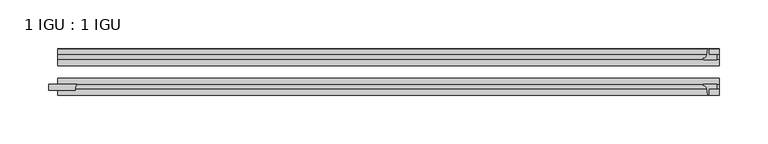
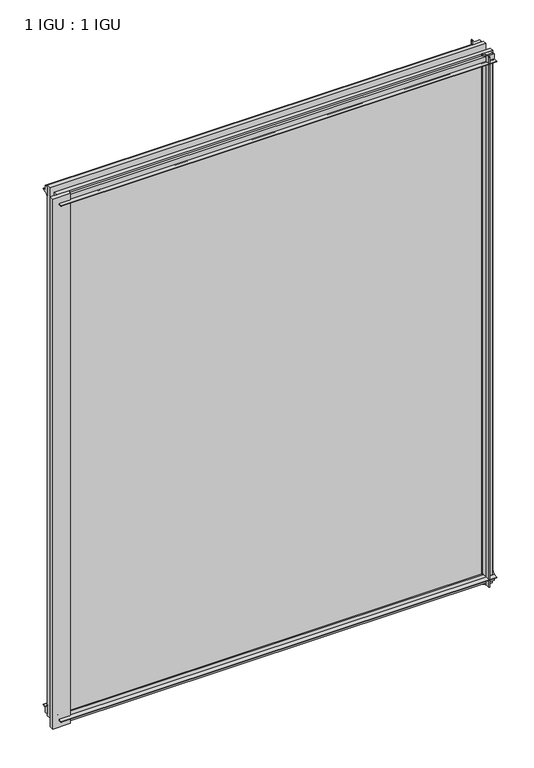
"""IFC4 building model written with IfcOpenShell, lengths in millimetres: plate geometry, 1 IGU : 1 IGU."""

from ifc_helpers import new_model, si_unit, point, frame, frame_2d, origin, place, context, project, spatial, polyline, circle_curve, trimmed, segment, composite_curve, outline, extrude, source, transform, mapped, element, save


def plate_1_igu_1_igu_c49b6571(model_context):
    return source(origin(), model_context, "Body", "SweptSolid", [
        extrude(outline(composite_curve([segment(polyline([(-42.3267187, -8.2068385), (-47.0892187, -8.2068385), (-47.0892187, 0.0), (-53.563779, 0.0)]), True, "CONTINUOUS"), segment(trimmed(circle_curve(frame_2d((-53.0328134, 0.3482823)), 0.635), [point((-53.563779, 0.0))], [point((-53.0575397, 0.9828007))], False, "CARTESIAN"), True, "CONTINUOUS"), segment(trimmed(circle_curve(frame_2d((-54.2310045, 31.0958559)), 30.1359106), [point((-53.0575397, 0.9828007))], [point((-47.0834032, 1.8198434))], True, "CARTESIAN"), True, "CONTINUOUS"), segment(trimmed(circle_curve(frame_2d((-48.2159797, 6.4587878)), 4.7752), [point((-47.0834032, 1.8198434))], [point((-43.578416, 5.3205707))], True, "CARTESIAN"), True, "CONTINUOUS"), segment(trimmed(circle_curve(frame_2d((-42.9617187, 5.169212)), 0.635), [point((-43.578416, 5.3205707))], [point((-42.3267187, 5.169212))], False, "CARTESIAN"), True, "CONTINUOUS"), segment(polyline([(-42.3267187, 5.169212), (-42.3267187, -8.2068385)]), True, "CONTINUOUS")], self_intersect=False)), frame((-336.0104693, 0.0, 0.0), z_axis=(1.0, 0.0, 0.0), x_axis=(0.0, 1.0, 0.0)), (0.0, 0.0, 1.0), 681.7443761),
        extrude(outline(composite_curve([segment(polyline([(-16.9267187, -8.2068385), (-16.9267187, 5.169212)]), True, "CONTINUOUS"), segment(trimmed(circle_curve(frame_2d((-16.2917187, 5.169212)), 0.635), [point((-16.9267187, 5.169212))], [point((-15.6750215, 5.3205707))], False, "CARTESIAN"), True, "CONTINUOUS"), segment(trimmed(circle_curve(frame_2d((-11.0374578, 6.4587878)), 4.7752), [point((-15.6750215, 5.3205707))], [point((-12.1700343, 1.8198434))], True, "CARTESIAN"), True, "CONTINUOUS"), segment(trimmed(circle_curve(frame_2d((-5.022433, 31.0958559)), 30.1359106), [point((-12.1700343, 1.8198434))], [point((-6.1958978, 0.9828007))], True, "CARTESIAN"), True, "CONTINUOUS"), segment(trimmed(circle_curve(frame_2d((-6.2206241, 0.3482823)), 0.635), [point((-6.1958978, 0.9828007))], [point((-5.6896585, 0.0))], False, "CARTESIAN"), True, "CONTINUOUS"), segment(polyline([(-5.6896585, 0.0), (-12.1642187, 0.0), (-12.1642187, -8.2068385), (-16.9267187, -8.2068385)]), True, "CONTINUOUS")], self_intersect=False)), frame((-336.0104693, 0.0, 0.0), z_axis=(1.0, 0.0, 0.0), x_axis=(0.0, 1.0, 0.0)), (0.0, 0.0, 1.0), 681.7443761),
        extrude(outline(composite_curve([segment(polyline([(-47.0892188, 854.0748985), (-47.0892188, 862.281737), (-42.3267188, 862.281737), (-42.3267188, 848.9056865)]), True, "CONTINUOUS"), segment(trimmed(circle_curve(frame_2d((-42.9617187, 848.9056865)), 0.635), [point((-42.3267188, 848.9056865))], [point((-43.578416, 848.7543278))], False, "CARTESIAN"), True, "CONTINUOUS"), segment(trimmed(circle_curve(frame_2d((-48.2159797, 847.6161107)), 4.7752), [point((-43.578416, 848.7543278))], [point((-47.0834032, 852.2550551))], True, "CARTESIAN"), True, "CONTINUOUS"), segment(trimmed(circle_curve(frame_2d((-54.2310045, 822.9790426)), 30.1359106), [point((-47.0834032, 852.2550551))], [point((-53.0575397, 853.0920978))], True, "CARTESIAN"), True, "CONTINUOUS"), segment(trimmed(circle_curve(frame_2d((-53.0328134, 853.7266162)), 0.635), [point((-53.0575397, 853.0920978))], [point((-53.563779, 854.0748985))], False, "CARTESIAN"), True, "CONTINUOUS"), segment(polyline([(-53.563779, 854.0748985), (-47.0892188, 854.0748985)]), True, "CONTINUOUS")], self_intersect=False)), frame((-336.0104693, 0.0, 0.0), z_axis=(1.0, 0.0, 0.0), x_axis=(0.0, 1.0, 0.0)), (0.0, 0.0, 1.0), 681.7443761),
        extrude(outline(composite_curve([segment(polyline([(-12.1642187, 854.0748985), (-5.6896585, 854.0748985)]), True, "CONTINUOUS"), segment(trimmed(circle_curve(frame_2d((-6.2206241, 853.7266162)), 0.635), [point((-5.6896585, 854.0748985))], [point((-6.1958978, 853.0920978))], False, "CARTESIAN"), True, "CONTINUOUS"), segment(trimmed(circle_curve(frame_2d((-5.022433, 822.9790426)), 30.1359106), [point((-6.1958978, 853.0920978))], [point((-12.1700343, 852.2550551))], True, "CARTESIAN"), True, "CONTINUOUS"), segment(trimmed(circle_curve(frame_2d((-11.0374578, 847.6161107)), 4.7752), [point((-12.1700343, 852.2550551))], [point((-15.6750215, 848.7543278))], True, "CARTESIAN"), True, "CONTINUOUS"), segment(trimmed(circle_curve(frame_2d((-16.2917187, 848.9056865)), 0.635), [point((-15.6750215, 848.7543278))], [point((-16.9267187, 848.9056865))], False, "CARTESIAN"), True, "CONTINUOUS"), segment(polyline([(-16.9267187, 848.9056865), (-16.9267187, 862.281737), (-12.1642187, 862.281737), (-12.1642187, 854.0748985)]), True, "CONTINUOUS")], self_intersect=False)), frame((-336.0104693, 0.0, 0.0), z_axis=(1.0, 0.0, 0.0), x_axis=(0.0, 1.0, 0.0)), (0.0, 0.0, 1.0), 681.7443761),
        extrude(outline(composite_curve([segment(trimmed(circle_curve(frame_2d((-306.388693, -48.2428298)), 11.7661971), [point((-316.5593874, -42.3267187))], [point((-318.1468874, -48.6767187))], True, "CARTESIAN"), True, "CONTINUOUS"), segment(polyline([(-318.1468874, -48.6767187), (-345.5354693, -48.6767187), (-345.5354693, -42.3267187), (-316.5593874, -42.3267187)]), True, "CONTINUOUS")], self_intersect=False)), frame((0.0, 0.0, -11.1125), z_axis=(0.0, 0.0, 1.0), x_axis=(1.0, 0.0, 0.0)), (0.0, 0.0, 1.0), 876.2998985),
        extrude(outline(composite_curve([segment(polyline([(334.6214068, -5.6896585), (334.6214068, -12.1642188), (342.8282453, -12.1642188), (342.8282453, -16.9267187), (329.4521948, -16.9267187)]), True, "CONTINUOUS"), segment(trimmed(circle_curve(frame_2d((329.4521948, -16.2917188)), 0.635), [point((329.4521948, -16.9267187))], [point((329.3008361, -15.6750215))], False, "CARTESIAN"), True, "CONTINUOUS"), segment(trimmed(circle_curve(frame_2d((328.1626189, -11.0374578)), 4.7752), [point((329.3008361, -15.6750215))], [point((332.8015634, -12.1700343))], True, "CARTESIAN"), True, "CONTINUOUS"), segment(trimmed(circle_curve(frame_2d((303.5255509, -5.022433)), 30.1359106), [point((332.8015634, -12.1700343))], [point((333.6386061, -6.1958978))], True, "CARTESIAN"), True, "CONTINUOUS"), segment(trimmed(circle_curve(frame_2d((334.2731245, -6.2206241)), 0.635), [point((333.6386061, -6.1958978))], [point((334.6214068, -5.6896585))], False, "CARTESIAN"), True, "CONTINUOUS")], self_intersect=False)), frame((0.0, 0.0, -11.1125), z_axis=(0.0, 0.0, 1.0), x_axis=(1.0, 0.0, 0.0)), (0.0, 0.0, 1.0), 876.2998985),
        extrude(outline(composite_curve([segment(trimmed(circle_curve(frame_2d((334.2731245, -53.0328134)), 0.635), [point((334.6214068, -53.563779))], [point((333.6386061, -53.0575397))], False, "CARTESIAN"), True, "CONTINUOUS"), segment(trimmed(circle_curve(frame_2d((303.5255509, -54.2310045)), 30.1359106), [point((333.6386061, -53.0575397))], [point((332.8015634, -47.0834032))], True, "CARTESIAN"), True, "CONTINUOUS"), segment(trimmed(circle_curve(frame_2d((328.1626189, -48.2159797)), 4.7752), [point((332.8015634, -47.0834032))], [point((329.3008361, -43.578416))], True, "CARTESIAN"), True, "CONTINUOUS"), segment(trimmed(circle_curve(frame_2d((329.4521948, -42.9617187)), 0.635), [point((329.3008361, -43.578416))], [point((329.4521948, -42.3267187))], False, "CARTESIAN"), True, "CONTINUOUS"), segment(polyline([(329.4521948, -42.3267187), (342.8282453, -42.3267188), (342.8282453, -47.0892188), (334.6214068, -47.0892188), (334.6214068, -53.563779)]), True, "CONTINUOUS")], self_intersect=False)), frame((0.0, 0.0, -11.1125), z_axis=(0.0, 0.0, 1.0), x_axis=(1.0, 0.0, 0.0)), (0.0, 0.0, 1.0), 876.2998985),
        extrude(outline(polyline([(345.7339068, -16.9267187), (345.7339068, -23.2259187), (-336.0104693, -23.2259187), (-336.0104693, -16.9267187), (345.7339068, -16.9267187)])), frame((0.0, 0.0, -11.1125), z_axis=(0.0, 0.0, 1.0), x_axis=(1.0, 0.0, 0.0)), (0.0, 0.0, 1.0), 876.2998985),
        extrude(outline(polyline([(345.7339068, -36.0275187), (345.7339068, -42.3267187), (-336.0104693, -42.3267187), (-336.0104693, -36.0275187), (345.7339068, -36.0275187)])), frame((0.0, 0.0, -11.1125), z_axis=(0.0, 0.0, 1.0), x_axis=(1.0, 0.0, 0.0)), (0.0, 0.0, 1.0), 876.2998985),
    ])


if __name__ == "__main__":
    model = new_model("IFC4")
    model_context = context("Model", 3, world=origin())
    ifc_project = project(units=[si_unit("LENGTHUNIT", "METRE", prefix="MILLI")], contexts=[model_context])
    site = spatial("IfcSite", under=ifc_project)
    building = spatial("IfcBuilding", under=site)
    placement = place(None, origin())
    plate_1_igu_1_igu_shape = plate_1_igu_1_igu_c49b6571(model_context)
    element("IfcPlate", 1, ObjectType="1 IGU : 1 IGU", at=placement, inside=building, context=model_context, shape_type="MappedRepresentation", body=[
        mapped(plate_1_igu_1_igu_shape, transform((0.0, 0.0, 0.0), x_axis=(1.0, 0.0, 0.0), y_axis=(0.0, 1.0, 0.0), z_axis=(0.0, 0.0, 1.0))),
    ])
    save(model, "model.ifc")
